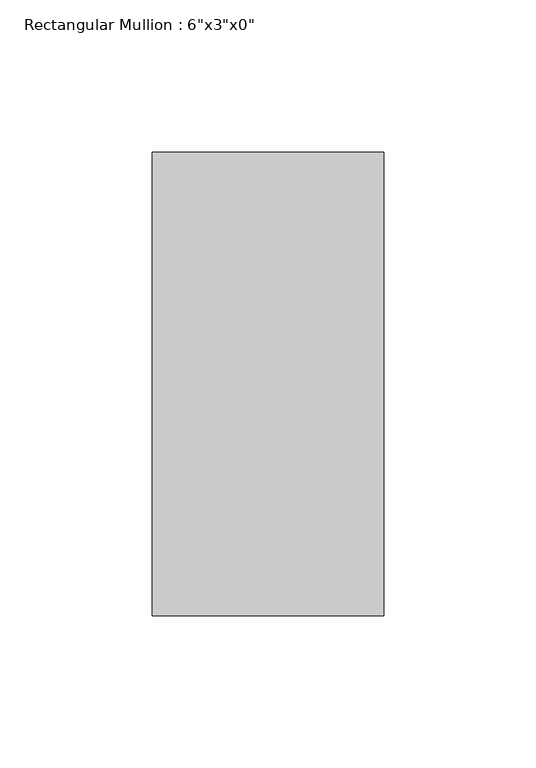
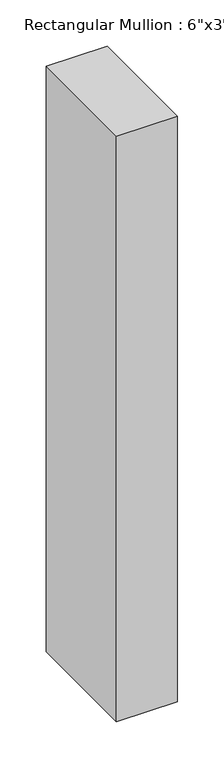
"""IFC4 building model written with IfcOpenShell, lengths in millimetres: member geometry."""

import ifcopenshell
import ifcopenshell.guid

model = None  # the IFC model being written
_history = None  # IfcOwnerHistory: only IFC2X3 demands one
_inside = {}  # id of a spatial element -> (the spatial element, [elements in it])
_under = {}  # id of a project, library or spatial element -> (it, [spatial elements below it])
_declared = {}  # id of a project -> (the project, [libraries it declares])
_typed = {}  # id of a type object -> (the type object, [elements of that type])
_made_of = {}  # id of a material, layer set ... -> (it, [elements and type objects made of it])


def new_model(schema):
    """Start an empty IFC model of exactly this schema.

    Asked for "IFC4X3", IfcOpenShell would pick the latest addendum, in which some entities
    have other attributes; the version numbers below select the first issue.
    IFC2X3 requires an IfcOwnerHistory on every rooted entity: one is made here for all.
    """
    global model, _history
    if schema == "IFC4X3":
        model = ifcopenshell.file(schema_version=(4, 3, 0, 0))
    else:
        model = ifcopenshell.file(schema=schema)
    _inside.clear()
    _under.clear()
    _declared.clear()
    _typed.clear()
    _made_of.clear()
    _history = None
    if model.schema == "IFC2X3":
        org = make("IfcOrganization", Name="unknown")
        user = make(
            "IfcPersonAndOrganization",
            ThePerson=make("IfcPerson", FamilyName="unknown"),
            TheOrganization=org,
        )
        app = make(
            "IfcApplication",
            ApplicationDeveloper=org,
            Version="unknown",
            ApplicationFullName="unknown",
            ApplicationIdentifier="unknown",
        )
        _history = make(
            "IfcOwnerHistory",
            OwningUser=user,
            OwningApplication=app,
            ChangeAction="ADDED",
            CreationDate=0,
        )
    return model


def make(cls, **values):
    """One entity of the class cls with the attributes given. An attribute that is None is left unset."""
    return model.create_entity(
        cls, **{name: value for name, value in values.items() if value is not None}
    )


def rooted(cls, **values):
    """An entity with a GlobalId (a new one), such as an element, a storey or a relation."""
    return make(cls, GlobalId=ifcopenshell.guid.new(), OwnerHistory=_history, **values)


def si_unit(unit_type, name, prefix=None):
    """IfcSIUnit, for example si_unit("LENGTHUNIT", "METRE", prefix="MILLI")."""
    return make("IfcSIUnit", UnitType=unit_type, Prefix=prefix, Name=name)


def assignment(units):
    """IfcUnitAssignment: the units of a project."""
    return None if units is None else make("IfcUnitAssignment", Units=units)


def point(xyz):
    """IfcCartesianPoint."""
    return None if xyz is None else make("IfcCartesianPoint", Coordinates=xyz)


def direction(xyz):
    """IfcDirection."""
    return None if xyz is None else make("IfcDirection", DirectionRatios=xyz)


def frame(location, z_axis=None, x_axis=None):
    """IfcAxis2Placement3D, a coordinate frame: its origin and axes. An axis left out is left unset."""
    return make(
        "IfcAxis2Placement3D",
        Location=point(location),
        Axis=direction(z_axis),
        RefDirection=direction(x_axis),
    )


def origin():
    """The frame at (0, 0, 0) with its axes left unset."""
    return frame((0.0, 0.0, 0.0))


def place(relative_to, where):
    """IfcLocalPlacement: puts the frame where relative to a parent placement (None: the world)."""
    return make(
        "IfcLocalPlacement", PlacementRelTo=relative_to, RelativePlacement=where
    )


def context(
    kind, dimensions, precision=None, world=None, true_north=None, identifier=None
):
    """IfcGeometricRepresentationContext, for example the 3D "Model" context."""
    return make(
        "IfcGeometricRepresentationContext",
        ContextIdentifier=identifier,
        ContextType=kind,
        CoordinateSpaceDimension=dimensions,
        Precision=precision,
        WorldCoordinateSystem=world,
        TrueNorth=true_north,
    )


def project(units=None, contexts=None):
    """IfcProject with its units and contexts."""
    return rooted(
        "IfcProject",
        Name="project",
        RepresentationContexts=contexts,
        UnitsInContext=assignment(units),
    )


def spatial(cls, under=None, at=None, **own):
    """A site, building, storey or space (cls), placed at a placement, below another one or the project."""
    s = rooted(cls, ObjectPlacement=at, **own)
    if under is not None:
        _under.setdefault(under.id(), (under, []))[1].append(s)
    return s


def polyline(points):
    """IfcPolyline through the points."""
    return make("IfcPolyline", Points=[point(p) for p in points])


def outline(outer, holes=None, kind="AREA"):
    """IfcArbitraryClosedProfileDef: a profile drawn as a closed curve; with holes, ...WithVoids."""
    if holes is None:
        return make("IfcArbitraryClosedProfileDef", ProfileType=kind, OuterCurve=outer)
    return make(
        "IfcArbitraryProfileDefWithVoids",
        ProfileType=kind,
        OuterCurve=outer,
        InnerCurves=holes,
    )


def extrude(swept, where, along, depth):
    """IfcExtrudedAreaSolid: the profile swept, set in the frame where, extruded along a direction by depth."""
    return make(
        "IfcExtrudedAreaSolid",
        SweptArea=swept,
        Position=where,
        ExtrudedDirection=direction(along),
        Depth=depth,
    )


def shape(context_of_items, identifier, shape_type, items):
    """IfcShapeRepresentation: the items that make up one representation, for example the "Body"."""
    return make(
        "IfcShapeRepresentation",
        ContextOfItems=context_of_items,
        RepresentationIdentifier=identifier,
        RepresentationType=shape_type,
        Items=items,
    )


def source(mapping_origin, context_of_items, identifier, shape_type, items):
    """IfcRepresentationMap: a shape defined once, which mapped items show again and again."""
    return make(
        "IfcRepresentationMap",
        MappingOrigin=mapping_origin,
        MappedRepresentation=shape(context_of_items, identifier, shape_type, items),
    )


def transform(
    local_origin,
    x_axis=None,
    y_axis=None,
    z_axis=None,
    scale=None,
    scale2=None,
    scale3=None,
    uniform=True,
):
    """IfcCartesianTransformationOperator3D, or its non-uniform kind. x_axis, y_axis, z_axis: its Axis1, 2, 3."""
    if uniform:
        return make(
            "IfcCartesianTransformationOperator3D",
            Axis1=direction(x_axis),
            Axis2=direction(y_axis),
            LocalOrigin=point(local_origin),
            Scale=scale,
            Axis3=direction(z_axis),
        )
    return make(
        "IfcCartesianTransformationOperator3DnonUniform",
        Axis1=direction(x_axis),
        Axis2=direction(y_axis),
        LocalOrigin=point(local_origin),
        Scale=scale,
        Axis3=direction(z_axis),
        Scale2=scale2,
        Scale3=scale3,
    )


def mapped(mapping_source, mapping_target):
    """IfcMappedItem: shows the shape of a source again, moved by a transform."""
    return make(
        "IfcMappedItem", MappingSource=mapping_source, MappingTarget=mapping_target
    )


def made_of(thing, what):
    """Note that an element or type object is made of a material, layer set ...; save() writes the relation."""
    if what is not None:
        _made_of.setdefault(what.id(), (what, []))[1].append(thing)
    return thing


def element(
    cls,
    number,
    at=None,
    inside=None,
    cuts=None,
    type_object=None,
    material=None,
    context=None,
    identifier="Body",
    shape_type=None,
    held_by="IfcProductDefinitionShape",
    body=None,
    shapes=None,
    **own,
):
    """One element of the class cls, such as IfcWall. Its Tag is "e" and its number.

    at: its placement. inside: the storey or other place that contains it. cuts: it is an
    opening in that element (IfcRelVoidsElement). A single representation is given by context,
    identifier, shape_type and body (its items); several are given by shapes. held_by: the class
    of the entity that holds the representations. save() writes the other relations.
    """
    e = rooted(cls, Tag="e%d" % number, ObjectPlacement=at, **own)
    if body is not None:
        shapes = [shape(context, identifier, shape_type, body)]
    if shapes is not None:
        e.Representation = make(held_by, Representations=shapes)
    if inside is not None:
        _inside.setdefault(inside.id(), (inside, []))[1].append(e)
    if cuts is not None:
        rooted(
            "IfcRelVoidsElement", RelatingBuildingElement=cuts, RelatedOpeningElement=e
        )
    if type_object is not None:
        _typed.setdefault(type_object.id(), (type_object, []))[1].append(e)
    return made_of(e, material)


def aggregate(whole, parts):
    """IfcRelAggregates: a whole, such as a stair, and the parts it consists of."""
    return rooted("IfcRelAggregates", RelatingObject=whole, RelatedObjects=parts)


def save(model, path):
    """Write the relations noted so far, then the file.

    IfcRelAggregates (storeys below a building ...), IfcRelContainedInSpatialStructure (elements
    in a storey), IfcRelDefinesByType, IfcRelAssociatesMaterial and IfcRelDeclares: one each for
    every whole, place, type object, material and project.
    """
    for whole, parts in _under.values():
        aggregate(whole, parts)
    for where, things in _inside.values():
        rooted(
            "IfcRelContainedInSpatialStructure",
            RelatedElements=things,
            RelatingStructure=where,
        )
    for kind, things in _typed.values():
        rooted("IfcRelDefinesByType", RelatedObjects=things, RelatingType=kind)
    for what, things in _made_of.values():
        rooted("IfcRelAssociatesMaterial", RelatedObjects=things, RelatingMaterial=what)
    for by, libraries in _declared.values():
        rooted("IfcRelDeclares", RelatingContext=by, RelatedDefinitions=libraries)
    model.write(path)


def member_2bea4250(model_context):
    return source(origin(), model_context, "Body", "SweptSolid", [
        extrude(outline(polyline([(38.1, 76.2), (38.1, -76.2), (-38.1, -76.2), (-38.1, 76.2), (38.1, 76.2)])), frame((0.0, 0.0, -774.7), z_axis=(0.0, 0.0, 1.0), x_axis=(1.0, 0.0, 0.0)), (0.0, 0.0, 1.0), 774.7),
    ])


if __name__ == "__main__":
    model = new_model("IFC4")
    model_context = context("Model", 3, world=origin())
    ifc_project = project(units=[si_unit("LENGTHUNIT", "METRE", prefix="MILLI")], contexts=[model_context])
    site = spatial("IfcSite", under=ifc_project)
    building = spatial("IfcBuilding", under=site)
    placement = place(None, origin())
    member_shape = member_2bea4250(model_context)
    element("IfcMember", 1, ObjectType="Rectangular Mullion : 6\"x3\"x0\"", at=placement, inside=building, context=model_context, shape_type="MappedRepresentation", body=[
        mapped(member_shape, transform((0.0, 0.0, 0.0), x_axis=(1.0, 0.0, 0.0), y_axis=(0.0, 1.0, 0.0), z_axis=(0.0, 0.0, 1.0))),
    ])
    save(model, "model.ifc")
